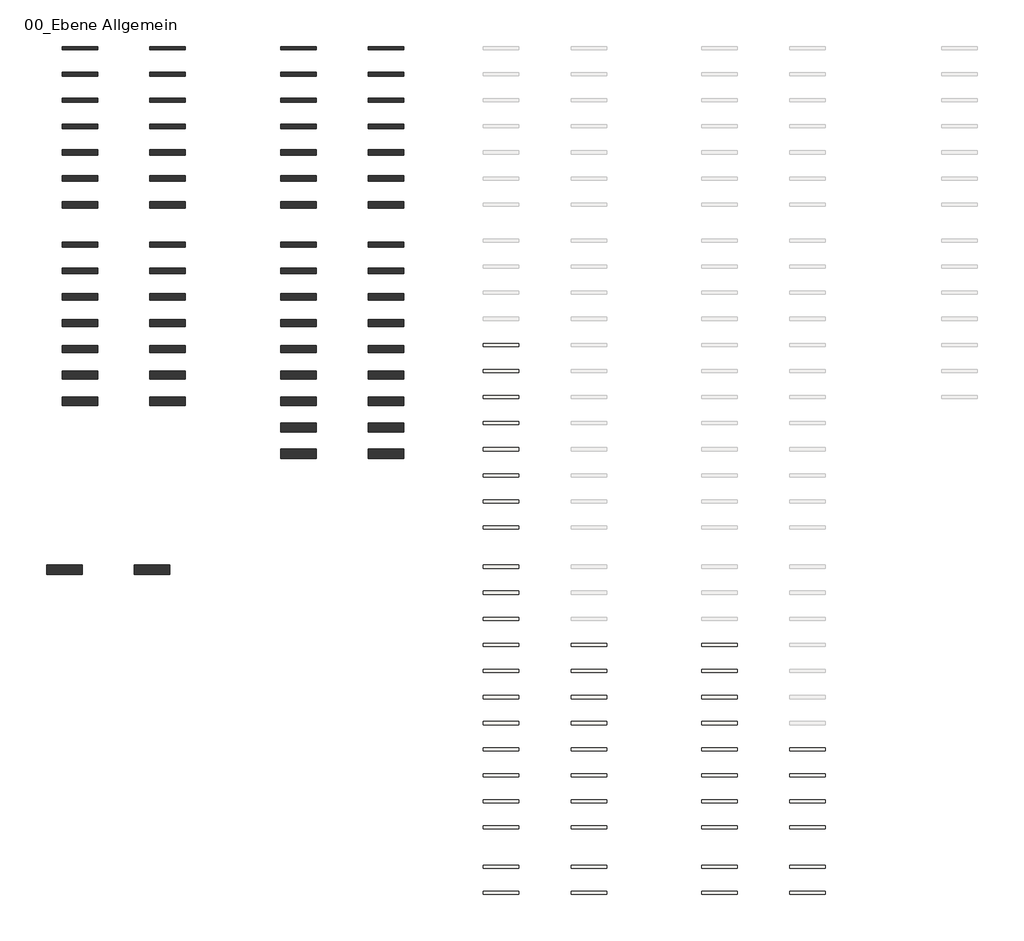
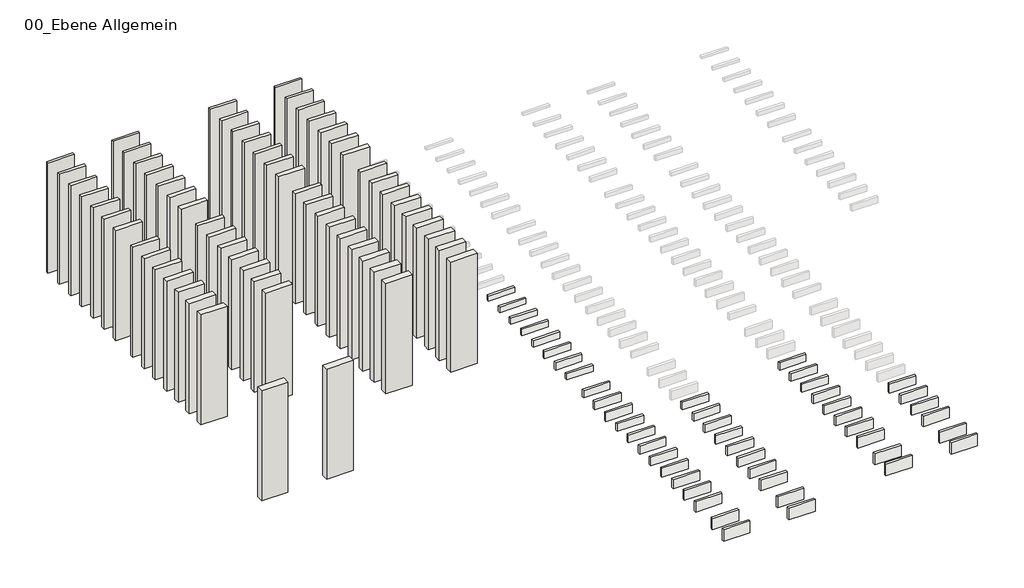
# One storey, part 1 of 2: 62 walls, 31 slabs, 16 roofs.
"""IFC4 building model written with IfcOpenShell, lengths in millimetres."""

from ifc_helpers import new_model, si_unit, frame, origin, origin_with_axes, place, context, project, spatial, polyline, outline, extrude, element, save

model = new_model("IFC4")

# Units and contexts
model_context = context("Model", 3, world=origin())
ifc_project = project(units=[si_unit("LENGTHUNIT", "METRE", prefix="MILLI")], contexts=[model_context])

# Site, building, storey
site = spatial("IfcSite", under=ifc_project)
building = spatial("IfcBuilding", under=site)
storey = spatial("IfcBuildingStorey", under=building, Name="00_Ebene Allgemein", Elevation=0.0)

# Roofs
placement = place(None, origin())
element("IfcRoof", 1, at=placement, inside=storey, context=model_context, shape_type="SweptSolid", body=[
    extrude(outline(polyline([(10896.5117268, 1806.5217326), (11576.5117268, 1806.5217326), (11576.5117268, 1746.5217326), (10896.5117268, 1746.5217326), (10896.5117268, 1806.5217326)])), origin_with_axes(), (0.0, 0.0, 1.0), 200.0),
])
element("IfcRoof", 2, at=placement, inside=storey, context=model_context, shape_type="SweptSolid", body=[
    extrude(outline(polyline([(10896.5117268, 1306.5217326), (11576.5117268, 1306.5217326), (11576.5117268, 1246.5217326), (10896.5117268, 1246.5217326), (10896.5117268, 1306.5217326)])), origin_with_axes(), (0.0, 0.0, 1.0), 210.0),
])
element("IfcRoof", 3, at=placement, inside=storey, context=model_context, shape_type="SweptSolid", body=[
    extrude(outline(polyline([(10896.5117268, 806.5217326), (11576.5117268, 806.5217326), (11576.5117268, 746.5217326), (10896.5117268, 746.5217326), (10896.5117268, 806.5217326)])), origin_with_axes(), (0.0, 0.0, 1.0), 220.0),
])
element("IfcRoof", 4, at=placement, inside=storey, context=model_context, shape_type="SweptSolid", body=[
    extrude(outline(polyline([(10896.5117268, 306.5217326), (11576.5117268, 306.5217326), (11576.5117268, 246.5217326), (10896.5117268, 246.5217326), (10896.5117268, 306.5217326)])), origin_with_axes(), (0.0, 0.0, 1.0), 230.0),
])
element("IfcRoof", 5, at=placement, inside=storey, context=model_context, shape_type="SweptSolid", body=[
    extrude(outline(polyline([(10896.5117268, -193.4782674), (11576.5117268, -193.4782674), (11576.5117268, -253.4782674), (10896.5117268, -253.4782674), (10896.5117268, -193.4782674)])), origin_with_axes(), (0.0, 0.0, 1.0), 240.0),
])
element("IfcRoof", 6, at=placement, inside=storey, context=model_context, shape_type="SweptSolid", body=[
    extrude(outline(polyline([(10896.5117268, -693.4782674), (11576.5117268, -693.4782674), (11576.5117268, -753.4782674), (10896.5117268, -753.4782674), (10896.5117268, -693.4782674)])), origin_with_axes(), (0.0, 0.0, 1.0), 250.0),
])
element("IfcRoof", 7, at=placement, inside=storey, context=model_context, shape_type="SweptSolid", body=[
    extrude(outline(polyline([(10896.5117268, -1193.4782674), (11576.5117268, -1193.4782674), (11576.5117268, -1253.4782674), (10896.5117268, -1253.4782674), (10896.5117268, -1193.4782674)])), origin_with_axes(), (0.0, 0.0, 1.0), 260.0),
])
element("IfcRoof", 8, at=placement, inside=storey, context=model_context, shape_type="SweptSolid", body=[
    extrude(outline(polyline([(10896.5117268, -1693.4782674), (11576.5117268, -1693.4782674), (11576.5117268, -1753.4782674), (10896.5117268, -1753.4782674), (10896.5117268, -1693.4782674)])), origin_with_axes(), (0.0, 0.0, 1.0), 280.0),
])
element("IfcRoof", 9, at=placement, inside=storey, context=model_context, shape_type="SweptSolid", body=[
    extrude(outline(polyline([(10896.5117268, -2443.5028443), (11576.5117268, -2443.5028443), (11576.5117268, -2503.5028443), (10896.5117268, -2503.5028443), (10896.5117268, -2443.5028443)])), origin_with_axes(), (0.0, 0.0, 1.0), 300.0),
])
element("IfcRoof", 10, at=placement, inside=storey, context=model_context, shape_type="SweptSolid", body=[
    extrude(outline(polyline([(10896.5117268, -2943.5028443), (11576.5117268, -2943.5028443), (11576.5117268, -3003.5028443), (10896.5117268, -3003.5028443), (10896.5117268, -2943.5028443)])), origin_with_axes(), (0.0, 0.0, 1.0), 320.0),
])
element("IfcRoof", 11, at=placement, inside=storey, context=model_context, shape_type="SweptSolid", body=[
    extrude(outline(polyline([(12576.5117268, -193.4782674), (13256.5117268, -193.4782674), (13256.5117268, -253.4782674), (12576.5117268, -253.4782674), (12576.5117268, -193.4782674)])), origin_with_axes(), (0.0, 0.0, 1.0), 240.0),
])
element("IfcRoof", 12, at=placement, inside=storey, context=model_context, shape_type="SweptSolid", body=[
    extrude(outline(polyline([(12576.5117268, -693.4782674), (13256.5117268, -693.4782674), (13256.5117268, -753.4782674), (12576.5117268, -753.4782674), (12576.5117268, -693.4782674)])), origin_with_axes(), (0.0, 0.0, 1.0), 250.0),
])
element("IfcRoof", 13, at=placement, inside=storey, context=model_context, shape_type="SweptSolid", body=[
    extrude(outline(polyline([(12576.5117268, -1193.4782674), (13256.5117268, -1193.4782674), (13256.5117268, -1253.4782674), (12576.5117268, -1253.4782674), (12576.5117268, -1193.4782674)])), origin_with_axes(), (0.0, 0.0, 1.0), 260.0),
])
element("IfcRoof", 14, at=placement, inside=storey, context=model_context, shape_type="SweptSolid", body=[
    extrude(outline(polyline([(12576.5117268, -1693.4782674), (13256.5117268, -1693.4782674), (13256.5117268, -1753.4782674), (12576.5117268, -1753.4782674), (12576.5117268, -1693.4782674)])), origin_with_axes(), (0.0, 0.0, 1.0), 280.0),
])
element("IfcRoof", 15, at=placement, inside=storey, context=model_context, shape_type="SweptSolid", body=[
    extrude(outline(polyline([(12576.5117268, -2443.5028443), (13256.5117268, -2443.5028443), (13256.5117268, -2503.5028443), (12576.5117268, -2503.5028443), (12576.5117268, -2443.5028443)])), origin_with_axes(), (0.0, 0.0, 1.0), 300.0),
])
element("IfcRoof", 16, at=placement, inside=storey, context=model_context, shape_type="SweptSolid", body=[
    extrude(outline(polyline([(12576.5117268, -2943.5028443), (13256.5117268, -2943.5028443), (13256.5117268, -3003.5028443), (12576.5117268, -3003.5028443), (12576.5117268, -2943.5028443)])), origin_with_axes(), (0.0, 0.0, 1.0), 320.0),
])

# Slabs
element("IfcSlab", 17, at=placement, inside=storey, context=model_context, shape_type="SweptSolid", body=[
    extrude(outline(polyline([(6710.9873688, 7556.5463096), (7390.9873688, 7556.5463096), (7390.9873688, 7496.5463096), (6710.9873688, 7496.5463096), (6710.9873688, 7556.5463096)])), frame((0.0, 0.0, -140.0), z_axis=(0.0, 0.0, 1.0), x_axis=(1.0, 0.0, 0.0)), (0.0, 0.0, 1.0), 140.0),
])
element("IfcSlab", 18, at=placement, inside=storey, context=model_context, shape_type="SweptSolid", body=[
    extrude(outline(polyline([(6710.9873688, 7056.5463096), (7390.9873688, 7056.5463096), (7390.9873688, 6996.5463096), (6710.9873688, 6996.5463096), (6710.9873688, 7056.5463096)])), frame((0.0, 0.0, -150.0), z_axis=(0.0, 0.0, 1.0), x_axis=(1.0, 0.0, 0.0)), (0.0, 0.0, 1.0), 150.0),
])
element("IfcSlab", 19, at=placement, inside=storey, context=model_context, shape_type="SweptSolid", body=[
    extrude(outline(polyline([(6710.9873688, 6556.5463096), (7390.9873688, 6556.5463096), (7390.9873688, 6496.5463096), (6710.9873688, 6496.5463096), (6710.9873688, 6556.5463096)])), frame((0.0, 0.0, -160.0), z_axis=(0.0, 0.0, 1.0), x_axis=(1.0, 0.0, 0.0)), (0.0, 0.0, 1.0), 160.0),
])
element("IfcSlab", 20, at=placement, inside=storey, context=model_context, shape_type="SweptSolid", body=[
    extrude(outline(polyline([(6710.9873688, 6056.5463096), (7390.9873688, 6056.5463096), (7390.9873688, 5996.5463096), (6710.9873688, 5996.5463096), (6710.9873688, 6056.5463096)])), frame((0.0, 0.0, -170.0), z_axis=(0.0, 0.0, 1.0), x_axis=(1.0, 0.0, 0.0)), (0.0, 0.0, 1.0), 170.0),
])
element("IfcSlab", 21, at=placement, inside=storey, context=model_context, shape_type="SweptSolid", body=[
    extrude(outline(polyline([(6710.9873688, 5556.5463096), (7390.9873688, 5556.5463096), (7390.9873688, 5496.5463096), (6710.9873688, 5496.5463096), (6710.9873688, 5556.5463096)])), frame((0.0, 0.0, -180.0), z_axis=(0.0, 0.0, 1.0), x_axis=(1.0, 0.0, 0.0)), (0.0, 0.0, 1.0), 180.0),
])
element("IfcSlab", 22, at=placement, inside=storey, context=model_context, shape_type="SweptSolid", body=[
    extrude(outline(polyline([(6710.9873688, 5056.5463096), (7390.9873688, 5056.5463096), (7390.9873688, 4996.5463096), (6710.9873688, 4996.5463096), (6710.9873688, 5056.5463096)])), frame((0.0, 0.0, -190.0), z_axis=(0.0, 0.0, 1.0), x_axis=(1.0, 0.0, 0.0)), (0.0, 0.0, 1.0), 190.0),
])
element("IfcSlab", 23, at=placement, inside=storey, context=model_context, shape_type="SweptSolid", body=[
    extrude(outline(polyline([(6710.9873688, 4556.5463096), (7390.9873688, 4556.5463096), (7390.9873688, 4496.5463096), (6710.9873688, 4496.5463096), (6710.9873688, 4556.5463096)])), frame((0.0, 0.0, -200.0), z_axis=(0.0, 0.0, 1.0), x_axis=(1.0, 0.0, 0.0)), (0.0, 0.0, 1.0), 200.0),
])
element("IfcSlab", 24, at=placement, inside=storey, context=model_context, shape_type="SweptSolid", body=[
    extrude(outline(polyline([(6710.9873688, 4056.5463096), (7390.9873688, 4056.5463096), (7390.9873688, 3996.5463096), (6710.9873688, 3996.5463096), (6710.9873688, 4056.5463096)])), frame((0.0, 0.0, -160.0), z_axis=(0.0, 0.0, 1.0), x_axis=(1.0, 0.0, 0.0)), (0.0, 0.0, 1.0), 160.0),
])
element("IfcSlab", 25, at=placement, inside=storey, context=model_context, shape_type="SweptSolid", body=[
    extrude(outline(polyline([(6710.9873688, 3306.5217326), (7390.9873688, 3306.5217326), (7390.9873688, 3246.5217326), (6710.9873688, 3246.5217326), (6710.9873688, 3306.5217326)])), frame((0.0, 0.0, -200.0), z_axis=(0.0, 0.0, 1.0), x_axis=(1.0, 0.0, 0.0)), (0.0, 0.0, 1.0), 200.0),
])
element("IfcSlab", 26, at=placement, inside=storey, context=model_context, shape_type="SweptSolid", body=[
    extrude(outline(polyline([(6710.9873688, 2806.5217326), (7390.9873688, 2806.5217326), (7390.9873688, 2746.5217326), (6710.9873688, 2746.5217326), (6710.9873688, 2806.5217326)])), frame((0.0, 0.0, -220.0), z_axis=(0.0, 0.0, 1.0), x_axis=(1.0, 0.0, 0.0)), (0.0, 0.0, 1.0), 220.0),
])
element("IfcSlab", 27, at=placement, inside=storey, context=model_context, shape_type="SweptSolid", body=[
    extrude(outline(polyline([(6710.9873688, 2306.5217326), (7390.9873688, 2306.5217326), (7390.9873688, 2246.5217326), (6710.9873688, 2246.5217326), (6710.9873688, 2306.5217326)])), frame((0.0, 0.0, -240.0), z_axis=(0.0, 0.0, 1.0), x_axis=(1.0, 0.0, 0.0)), (0.0, 0.0, 1.0), 240.0),
])
element("IfcSlab", 28, at=placement, inside=storey, context=model_context, shape_type="SweptSolid", body=[
    extrude(outline(polyline([(6710.9873688, 1806.5217326), (7390.9873688, 1806.5217326), (7390.9873688, 1746.5217326), (6710.9873688, 1746.5217326), (6710.9873688, 1806.5217326)])), frame((0.0, 0.0, -200.0), z_axis=(0.0, 0.0, 1.0), x_axis=(1.0, 0.0, 0.0)), (0.0, 0.0, 1.0), 200.0),
])
element("IfcSlab", 29, at=placement, inside=storey, context=model_context, shape_type="SweptSolid", body=[
    extrude(outline(polyline([(6710.9873688, 1306.5217326), (7390.9873688, 1306.5217326), (7390.9873688, 1246.5217326), (6710.9873688, 1246.5217326), (6710.9873688, 1306.5217326)])), frame((0.0, 0.0, -210.0), z_axis=(0.0, 0.0, 1.0), x_axis=(1.0, 0.0, 0.0)), (0.0, 0.0, 1.0), 210.0),
])
element("IfcSlab", 30, at=placement, inside=storey, context=model_context, shape_type="SweptSolid", body=[
    extrude(outline(polyline([(6710.9873688, 806.5217326), (7390.9873688, 806.5217326), (7390.9873688, 746.5217326), (6710.9873688, 746.5217326), (6710.9873688, 806.5217326)])), frame((0.0, 0.0, -220.0), z_axis=(0.0, 0.0, 1.0), x_axis=(1.0, 0.0, 0.0)), (0.0, 0.0, 1.0), 220.0),
])
element("IfcSlab", 31, at=placement, inside=storey, context=model_context, shape_type="SweptSolid", body=[
    extrude(outline(polyline([(6710.9873688, 306.5217326), (7390.9873688, 306.5217326), (7390.9873688, 246.5217326), (6710.9873688, 246.5217326), (6710.9873688, 306.5217326)])), frame((0.0, 0.0, -230.0), z_axis=(0.0, 0.0, 1.0), x_axis=(1.0, 0.0, 0.0)), (0.0, 0.0, 1.0), 230.0),
])
element("IfcSlab", 32, at=placement, inside=storey, context=model_context, shape_type="SweptSolid", body=[
    extrude(outline(polyline([(6710.9873688, -193.4782674), (7390.9873688, -193.4782674), (7390.9873688, -253.4782674), (6710.9873688, -253.4782674), (6710.9873688, -193.4782674)])), frame((0.0, 0.0, -240.0), z_axis=(0.0, 0.0, 1.0), x_axis=(1.0, 0.0, 0.0)), (0.0, 0.0, 1.0), 240.0),
])
element("IfcSlab", 33, at=placement, inside=storey, context=model_context, shape_type="SweptSolid", body=[
    extrude(outline(polyline([(6710.9873688, -693.4782674), (7390.9873688, -693.4782674), (7390.9873688, -753.4782674), (6710.9873688, -753.4782674), (6710.9873688, -693.4782674)])), frame((0.0, 0.0, -250.0), z_axis=(0.0, 0.0, 1.0), x_axis=(1.0, 0.0, 0.0)), (0.0, 0.0, 1.0), 250.0),
])
element("IfcSlab", 34, at=placement, inside=storey, context=model_context, shape_type="SweptSolid", body=[
    extrude(outline(polyline([(6710.9873688, -1193.4782674), (7390.9873688, -1193.4782674), (7390.9873688, -1253.4782674), (6710.9873688, -1253.4782674), (6710.9873688, -1193.4782674)])), frame((0.0, 0.0, -260.0), z_axis=(0.0, 0.0, 1.0), x_axis=(1.0, 0.0, 0.0)), (0.0, 0.0, 1.0), 260.0),
])
element("IfcSlab", 35, at=placement, inside=storey, context=model_context, shape_type="SweptSolid", body=[
    extrude(outline(polyline([(6710.9873688, -1693.4782674), (7390.9873688, -1693.4782674), (7390.9873688, -1753.4782674), (6710.9873688, -1753.4782674), (6710.9873688, -1693.4782674)])), frame((0.0, 0.0, -280.0), z_axis=(0.0, 0.0, 1.0), x_axis=(1.0, 0.0, 0.0)), (0.0, 0.0, 1.0), 280.0),
])
element("IfcSlab", 36, at=placement, inside=storey, context=model_context, shape_type="SweptSolid", body=[
    extrude(outline(polyline([(6710.9873688, -2443.5028443), (7390.9873688, -2443.5028443), (7390.9873688, -2503.5028443), (6710.9873688, -2503.5028443), (6710.9873688, -2443.5028443)])), frame((0.0, 0.0, -300.0), z_axis=(0.0, 0.0, 1.0), x_axis=(1.0, 0.0, 0.0)), (0.0, 0.0, 1.0), 300.0),
])
element("IfcSlab", 37, at=placement, inside=storey, context=model_context, shape_type="SweptSolid", body=[
    extrude(outline(polyline([(6710.9873688, -2943.5028443), (7390.9873688, -2943.5028443), (7390.9873688, -3003.5028443), (6710.9873688, -3003.5028443), (6710.9873688, -2943.5028443)])), frame((0.0, 0.0, -320.0), z_axis=(0.0, 0.0, 1.0), x_axis=(1.0, 0.0, 0.0)), (0.0, 0.0, 1.0), 320.0),
])
element("IfcSlab", 38, at=placement, inside=storey, context=model_context, shape_type="SweptSolid", body=[
    extrude(outline(polyline([(8390.9873688, 1806.5217326), (9070.9873688, 1806.5217326), (9070.9873688, 1746.5217326), (8390.9873688, 1746.5217326), (8390.9873688, 1806.5217326)])), frame((0.0, 0.0, -200.0), z_axis=(0.0, 0.0, 1.0), x_axis=(1.0, 0.0, 0.0)), (0.0, 0.0, 1.0), 200.0),
])
element("IfcSlab", 39, at=placement, inside=storey, context=model_context, shape_type="SweptSolid", body=[
    extrude(outline(polyline([(8390.9873688, 1306.5217326), (9070.9873688, 1306.5217326), (9070.9873688, 1246.5217326), (8390.9873688, 1246.5217326), (8390.9873688, 1306.5217326)])), frame((0.0, 0.0, -210.0), z_axis=(0.0, 0.0, 1.0), x_axis=(1.0, 0.0, 0.0)), (0.0, 0.0, 1.0), 210.0),
])
element("IfcSlab", 40, at=placement, inside=storey, context=model_context, shape_type="SweptSolid", body=[
    extrude(outline(polyline([(8390.9873688, 806.5217326), (9070.9873688, 806.5217326), (9070.9873688, 746.5217326), (8390.9873688, 746.5217326), (8390.9873688, 806.5217326)])), frame((0.0, 0.0, -220.0), z_axis=(0.0, 0.0, 1.0), x_axis=(1.0, 0.0, 0.0)), (0.0, 0.0, 1.0), 220.0),
])
element("IfcSlab", 41, at=placement, inside=storey, context=model_context, shape_type="SweptSolid", body=[
    extrude(outline(polyline([(8390.9873688, 306.5217326), (9070.9873688, 306.5217326), (9070.9873688, 246.5217326), (8390.9873688, 246.5217326), (8390.9873688, 306.5217326)])), frame((0.0, 0.0, -230.0), z_axis=(0.0, 0.0, 1.0), x_axis=(1.0, 0.0, 0.0)), (0.0, 0.0, 1.0), 230.0),
])
element("IfcSlab", 42, at=placement, inside=storey, context=model_context, shape_type="SweptSolid", body=[
    extrude(outline(polyline([(8390.9873688, -193.4782674), (9070.9873688, -193.4782674), (9070.9873688, -253.4782674), (8390.9873688, -253.4782674), (8390.9873688, -193.4782674)])), frame((0.0, 0.0, -240.0), z_axis=(0.0, 0.0, 1.0), x_axis=(1.0, 0.0, 0.0)), (0.0, 0.0, 1.0), 240.0),
])
element("IfcSlab", 43, at=placement, inside=storey, context=model_context, shape_type="SweptSolid", body=[
    extrude(outline(polyline([(8390.9873688, -693.4782674), (9070.9873688, -693.4782674), (9070.9873688, -753.4782674), (8390.9873688, -753.4782674), (8390.9873688, -693.4782674)])), frame((0.0, 0.0, -250.0), z_axis=(0.0, 0.0, 1.0), x_axis=(1.0, 0.0, 0.0)), (0.0, 0.0, 1.0), 250.0),
])
element("IfcSlab", 44, at=placement, inside=storey, context=model_context, shape_type="SweptSolid", body=[
    extrude(outline(polyline([(8390.9873688, -1193.4782674), (9070.9873688, -1193.4782674), (9070.9873688, -1253.4782674), (8390.9873688, -1253.4782674), (8390.9873688, -1193.4782674)])), frame((0.0, 0.0, -260.0), z_axis=(0.0, 0.0, 1.0), x_axis=(1.0, 0.0, 0.0)), (0.0, 0.0, 1.0), 260.0),
])
element("IfcSlab", 45, at=placement, inside=storey, context=model_context, shape_type="SweptSolid", body=[
    extrude(outline(polyline([(8390.9873688, -1693.4782674), (9070.9873688, -1693.4782674), (9070.9873688, -1753.4782674), (8390.9873688, -1753.4782674), (8390.9873688, -1693.4782674)])), frame((0.0, 0.0, -280.0), z_axis=(0.0, 0.0, 1.0), x_axis=(1.0, 0.0, 0.0)), (0.0, 0.0, 1.0), 280.0),
])
element("IfcSlab", 46, at=placement, inside=storey, context=model_context, shape_type="SweptSolid", body=[
    extrude(outline(polyline([(8390.9873688, -2443.5028443), (9070.9873688, -2443.5028443), (9070.9873688, -2503.5028443), (8390.9873688, -2503.5028443), (8390.9873688, -2443.5028443)])), frame((0.0, 0.0, -300.0), z_axis=(0.0, 0.0, 1.0), x_axis=(1.0, 0.0, 0.0)), (0.0, 0.0, 1.0), 300.0),
])
element("IfcSlab", 47, at=placement, inside=storey, context=model_context, shape_type="SweptSolid", body=[
    extrude(outline(polyline([(8390.9873688, -2943.5028443), (9070.9873688, -2943.5028443), (9070.9873688, -3003.5028443), (8390.9873688, -3003.5028443), (8390.9873688, -2943.5028443)])), frame((0.0, 0.0, -320.0), z_axis=(0.0, 0.0, 1.0), x_axis=(1.0, 0.0, 0.0)), (0.0, 0.0, 1.0), 320.0),
])

# Walls
element("IfcWall", 48, at=placement, inside=storey, context=model_context, shape_type="SweptSolid", body=[
    extrude(outline(polyline([(-680.0613473, 13186.5708866), (-1360.0613473, 13186.5708866), (-1360.0613473, 13246.5708866), (-680.0613473, 13246.5708866), (-680.0613473, 13186.5708866)])), origin_with_axes(), (0.0, 0.0, 1.0), 3000.0),
])
element("IfcWall", 49, at=placement, inside=storey, context=model_context, shape_type="SweptSolid", body=[
    extrude(outline(polyline([(-680.0613473, 12681.5708866), (-1360.0613473, 12681.5708866), (-1360.0613473, 12751.5708866), (-680.0613473, 12751.5708866), (-680.0613473, 12681.5708866)])), origin_with_axes(), (0.0, 0.0, 1.0), 3000.0),
])
element("IfcWall", 50, at=placement, inside=storey, context=model_context, shape_type="SweptSolid", body=[
    extrude(outline(polyline([(-680.0613473, 12176.5708866), (-1360.0613473, 12176.5708866), (-1360.0613473, 12256.5708866), (-680.0613473, 12256.5708866), (-680.0613473, 12176.5708866)])), origin_with_axes(), (0.0, 0.0, 1.0), 3000.0),
])
element("IfcWall", 51, at=placement, inside=storey, context=model_context, shape_type="SweptSolid", body=[
    extrude(outline(polyline([(-680.0613473, 11671.5708866), (-1360.0613473, 11671.5708866), (-1360.0613473, 11761.5708866), (-680.0613473, 11761.5708866), (-680.0613473, 11671.5708866)])), origin_with_axes(), (0.0, 0.0, 1.0), 3000.0),
])
element("IfcWall", 52, at=placement, inside=storey, context=model_context, shape_type="SweptSolid", body=[
    extrude(outline(polyline([(-680.0613473, 11166.5708866), (-1360.0613473, 11166.5708866), (-1360.0613473, 11266.5708866), (-680.0613473, 11266.5708866), (-680.0613473, 11166.5708866)])), origin_with_axes(), (0.0, 0.0, 1.0), 3000.0),
])
element("IfcWall", 53, at=placement, inside=storey, context=model_context, shape_type="SweptSolid", body=[
    extrude(outline(polyline([(-680.0613473, 10661.5708866), (-1360.0613473, 10661.5708866), (-1360.0613473, 10771.5708866), (-680.0613473, 10771.5708866), (-680.0613473, 10661.5708866)])), origin_with_axes(), (0.0, 0.0, 1.0), 3000.0),
])
element("IfcWall", 54, at=placement, inside=storey, context=model_context, shape_type="SweptSolid", body=[
    extrude(outline(polyline([(-680.0613473, 9396.5463096), (-1360.0613473, 9396.5463096), (-1360.0613473, 9496.5463096), (-680.0613473, 9496.5463096), (-680.0613473, 9396.5463096)])), origin_with_axes(), (0.0, 0.0, 1.0), 3000.0),
])
element("IfcWall", 55, at=placement, inside=storey, context=model_context, shape_type="SweptSolid", body=[
    extrude(outline(polyline([(-680.0613473, 8891.5463096), (-1360.0613473, 8891.5463096), (-1360.0613473, 9001.5463096), (-680.0613473, 9001.5463096), (-680.0613473, 8891.5463096)])), origin_with_axes(), (0.0, 0.0, 1.0), 3000.0),
])
element("IfcWall", 56, at=placement, inside=storey, context=model_context, shape_type="SweptSolid", body=[
    extrude(outline(polyline([(-680.0613473, 8386.5463096), (-1360.0613473, 8386.5463096), (-1360.0613473, 8506.5463096), (-680.0613473, 8506.5463096), (-680.0613473, 8386.5463096)])), origin_with_axes(), (0.0, 0.0, 1.0), 3000.0),
])
element("IfcWall", 57, at=placement, inside=storey, context=model_context, shape_type="SweptSolid", body=[
    extrude(outline(polyline([(-680.0613473, 7881.5463096), (-1360.0613473, 7881.5463096), (-1360.0613473, 8011.5463096), (-680.0613473, 8011.5463096), (-680.0613473, 7881.5463096)])), origin_with_axes(), (0.0, 0.0, 1.0), 3000.0),
])
element("IfcWall", 58, at=placement, inside=storey, context=model_context, shape_type="SweptSolid", body=[
    extrude(outline(polyline([(-680.0613473, 7376.5463096), (-1360.0613473, 7376.5463096), (-1360.0613473, 7516.5463096), (-680.0613473, 7516.5463096), (-680.0613473, 7376.5463096)])), origin_with_axes(), (0.0, 0.0, 1.0), 3000.0),
])
element("IfcWall", 59, at=placement, inside=storey, context=model_context, shape_type="SweptSolid", body=[
    extrude(outline(polyline([(-680.0613473, 6871.5463096), (-1360.0613473, 6871.5463096), (-1360.0613473, 7021.5463096), (-680.0613473, 7021.5463096), (-680.0613473, 6871.5463096)])), origin_with_axes(), (0.0, 0.0, 1.0), 3000.0),
])
element("IfcWall", 60, at=placement, inside=storey, context=model_context, shape_type="SweptSolid", body=[
    extrude(outline(polyline([(-680.0613473, 6366.5463096), (-1360.0613473, 6366.5463096), (-1360.0613473, 6526.5463096), (-680.0613473, 6526.5463096), (-680.0613473, 6366.5463096)])), origin_with_axes(), (0.0, 0.0, 1.0), 3000.0),
])
element("IfcWall", 61, at=placement, inside=storey, context=model_context, shape_type="SweptSolid", body=[
    extrude(outline(polyline([(-980.0613473, 3126.5217326), (-1660.0613473, 3126.5217326), (-1660.0613473, 3306.5217326), (-980.0613473, 3306.5217326), (-980.0613473, 3126.5217326)])), origin_with_axes(), (0.0, 0.0, 1.0), 3000.0),
])
element("IfcWall", 62, at=placement, inside=storey, context=model_context, shape_type="SweptSolid", body=[
    extrude(outline(polyline([(-680.0613473, 10151.5708866), (-1360.0613473, 10151.5708866), (-1360.0613473, 10271.5708866), (-680.0613473, 10271.5708866), (-680.0613473, 10151.5708866)])), origin_with_axes(), (0.0, 0.0, 1.0), 3000.0),
])
element("IfcWall", 63, at=placement, inside=storey, context=model_context, shape_type="SweptSolid", body=[
    extrude(outline(polyline([(3505.4630107, 13186.5708866), (2825.4630107, 13186.5708866), (2825.4630107, 13246.5708866), (3505.4630107, 13246.5708866), (3505.4630107, 13186.5708866)])), origin_with_axes(), (0.0, 0.0, 1.0), 3000.0),
])
element("IfcWall", 64, at=placement, inside=storey, context=model_context, shape_type="SweptSolid", body=[
    extrude(outline(polyline([(3505.4630107, 12681.5708866), (2825.4630107, 12681.5708866), (2825.4630107, 12751.5708866), (3505.4630107, 12751.5708866), (3505.4630107, 12681.5708866)])), origin_with_axes(), (0.0, 0.0, 1.0), 3000.0),
])
element("IfcWall", 65, at=placement, inside=storey, context=model_context, shape_type="SweptSolid", body=[
    extrude(outline(polyline([(3505.4630107, 12176.5708866), (2825.4630107, 12176.5708866), (2825.4630107, 12256.5708866), (3505.4630107, 12256.5708866), (3505.4630107, 12176.5708866)])), origin_with_axes(), (0.0, 0.0, 1.0), 3000.0),
])
element("IfcWall", 66, at=placement, inside=storey, context=model_context, shape_type="SweptSolid", body=[
    extrude(outline(polyline([(3505.4630107, 11671.5708866), (2825.4630107, 11671.5708866), (2825.4630107, 11761.5708866), (3505.4630107, 11761.5708866), (3505.4630107, 11671.5708866)])), origin_with_axes(), (0.0, 0.0, 1.0), 3000.0),
])
element("IfcWall", 67, at=placement, inside=storey, context=model_context, shape_type="SweptSolid", body=[
    extrude(outline(polyline([(3505.4630107, 11166.5708866), (2825.4630107, 11166.5708866), (2825.4630107, 11266.5708866), (3505.4630107, 11266.5708866), (3505.4630107, 11166.5708866)])), origin_with_axes(), (0.0, 0.0, 1.0), 3000.0),
])
element("IfcWall", 68, at=placement, inside=storey, context=model_context, shape_type="SweptSolid", body=[
    extrude(outline(polyline([(3505.4630107, 10661.5708866), (2825.4630107, 10661.5708866), (2825.4630107, 10771.5708866), (3505.4630107, 10771.5708866), (3505.4630107, 10661.5708866)])), origin_with_axes(), (0.0, 0.0, 1.0), 3000.0),
])
element("IfcWall", 69, at=placement, inside=storey, context=model_context, shape_type="SweptSolid", body=[
    extrude(outline(polyline([(3505.4630107, 9396.5463096), (2825.4630107, 9396.5463096), (2825.4630107, 9496.5463096), (3505.4630107, 9496.5463096), (3505.4630107, 9396.5463096)])), origin_with_axes(), (0.0, 0.0, 1.0), 3000.0),
])
element("IfcWall", 70, at=placement, inside=storey, context=model_context, shape_type="SweptSolid", body=[
    extrude(outline(polyline([(3505.4630107, 8891.5463096), (2825.4630107, 8891.5463096), (2825.4630107, 9001.5463096), (3505.4630107, 9001.5463096), (3505.4630107, 8891.5463096)])), origin_with_axes(), (0.0, 0.0, 1.0), 3000.0),
])
element("IfcWall", 71, at=placement, inside=storey, context=model_context, shape_type="SweptSolid", body=[
    extrude(outline(polyline([(3505.4630107, 8386.5463096), (2825.4630107, 8386.5463096), (2825.4630107, 8506.5463096), (3505.4630107, 8506.5463096), (3505.4630107, 8386.5463096)])), origin_with_axes(), (0.0, 0.0, 1.0), 3000.0),
])
element("IfcWall", 72, at=placement, inside=storey, context=model_context, shape_type="SweptSolid", body=[
    extrude(outline(polyline([(3505.4630107, 7881.5463096), (2825.4630107, 7881.5463096), (2825.4630107, 8011.5463096), (3505.4630107, 8011.5463096), (3505.4630107, 7881.5463096)])), origin_with_axes(), (0.0, 0.0, 1.0), 3000.0),
])
element("IfcWall", 73, at=placement, inside=storey, context=model_context, shape_type="SweptSolid", body=[
    extrude(outline(polyline([(3505.4630107, 7376.5463096), (2825.4630107, 7376.5463096), (2825.4630107, 7516.5463096), (3505.4630107, 7516.5463096), (3505.4630107, 7376.5463096)])), origin_with_axes(), (0.0, 0.0, 1.0), 3000.0),
])
element("IfcWall", 74, at=placement, inside=storey, context=model_context, shape_type="SweptSolid", body=[
    extrude(outline(polyline([(3505.4630107, 6871.5463096), (2825.4630107, 6871.5463096), (2825.4630107, 7021.5463096), (3505.4630107, 7021.5463096), (3505.4630107, 6871.5463096)])), origin_with_axes(), (0.0, 0.0, 1.0), 3000.0),
])
element("IfcWall", 75, at=placement, inside=storey, context=model_context, shape_type="SweptSolid", body=[
    extrude(outline(polyline([(3505.4630107, 6366.5463096), (2825.4630107, 6366.5463096), (2825.4630107, 6526.5463096), (3505.4630107, 6526.5463096), (3505.4630107, 6366.5463096)])), origin_with_axes(), (0.0, 0.0, 1.0), 3000.0),
])
element("IfcWall", 76, at=placement, inside=storey, context=model_context, shape_type="SweptSolid", body=[
    extrude(outline(polyline([(3505.4630107, 5861.5463096), (2825.4630107, 5861.5463096), (2825.4630107, 6031.5463096), (3505.4630107, 6031.5463096), (3505.4630107, 5861.5463096)])), origin_with_axes(), (0.0, 0.0, 1.0), 3000.0),
])
element("IfcWall", 77, at=placement, inside=storey, context=model_context, shape_type="SweptSolid", body=[
    extrude(outline(polyline([(3505.4630107, 10151.5708866), (2825.4630107, 10151.5708866), (2825.4630107, 10271.5708866), (3505.4630107, 10271.5708866), (3505.4630107, 10151.5708866)])), origin_with_axes(), (0.0, 0.0, 1.0), 3000.0),
])
element("IfcWall", 78, at=placement, inside=storey, context=model_context, shape_type="SweptSolid", body=[
    extrude(outline(polyline([(3505.4630107, 5346.5463096), (2825.4630107, 5346.5463096), (2825.4630107, 5526.5463096), (3505.4630107, 5526.5463096), (3505.4630107, 5346.5463096)])), origin_with_axes(), (0.0, 0.0, 1.0), 3000.0),
])
element("IfcWall", 79, at=placement, inside=storey, context=model_context, shape_type="SweptSolid", body=[
    extrude(outline(polyline([(999.9386527, 13186.5708866), (319.9386527, 13186.5708866), (319.9386527, 13246.5708866), (999.9386527, 13246.5708866), (999.9386527, 13186.5708866)])), origin_with_axes(), (0.0, 0.0, 1.0), 3000.0),
])
element("IfcWall", 80, at=placement, inside=storey, context=model_context, shape_type="SweptSolid", body=[
    extrude(outline(polyline([(999.9386527, 12681.5708866), (319.9386527, 12681.5708866), (319.9386527, 12751.5708866), (999.9386527, 12751.5708866), (999.9386527, 12681.5708866)])), origin_with_axes(), (0.0, 0.0, 1.0), 3000.0),
])
element("IfcWall", 81, at=placement, inside=storey, context=model_context, shape_type="SweptSolid", body=[
    extrude(outline(polyline([(999.9386527, 12176.5708866), (319.9386527, 12176.5708866), (319.9386527, 12256.5708866), (999.9386527, 12256.5708866), (999.9386527, 12176.5708866)])), origin_with_axes(), (0.0, 0.0, 1.0), 3000.0),
])
element("IfcWall", 82, at=placement, inside=storey, context=model_context, shape_type="SweptSolid", body=[
    extrude(outline(polyline([(999.9386527, 11671.5708866), (319.9386527, 11671.5708866), (319.9386527, 11761.5708866), (999.9386527, 11761.5708866), (999.9386527, 11671.5708866)])), origin_with_axes(), (0.0, 0.0, 1.0), 3000.0),
])
element("IfcWall", 83, at=placement, inside=storey, context=model_context, shape_type="SweptSolid", body=[
    extrude(outline(polyline([(999.9386527, 11166.5708866), (319.9386527, 11166.5708866), (319.9386527, 11266.5708866), (999.9386527, 11266.5708866), (999.9386527, 11166.5708866)])), origin_with_axes(), (0.0, 0.0, 1.0), 3000.0),
])
element("IfcWall", 84, at=placement, inside=storey, context=model_context, shape_type="SweptSolid", body=[
    extrude(outline(polyline([(999.9386527, 10661.5708866), (319.9386527, 10661.5708866), (319.9386527, 10771.5708866), (999.9386527, 10771.5708866), (999.9386527, 10661.5708866)])), origin_with_axes(), (0.0, 0.0, 1.0), 3000.0),
])
element("IfcWall", 85, at=placement, inside=storey, context=model_context, shape_type="SweptSolid", body=[
    extrude(outline(polyline([(999.9386527, 9396.5463096), (319.9386527, 9396.5463096), (319.9386527, 9496.5463096), (999.9386527, 9496.5463096), (999.9386527, 9396.5463096)])), origin_with_axes(), (0.0, 0.0, 1.0), 3000.0),
])
element("IfcWall", 86, at=placement, inside=storey, context=model_context, shape_type="SweptSolid", body=[
    extrude(outline(polyline([(999.9386527, 8891.5463096), (319.9386527, 8891.5463096), (319.9386527, 9001.5463096), (999.9386527, 9001.5463096), (999.9386527, 8891.5463096)])), origin_with_axes(), (0.0, 0.0, 1.0), 3000.0),
])
element("IfcWall", 87, at=placement, inside=storey, context=model_context, shape_type="SweptSolid", body=[
    extrude(outline(polyline([(999.9386527, 8386.5463096), (319.9386527, 8386.5463096), (319.9386527, 8506.5463096), (999.9386527, 8506.5463096), (999.9386527, 8386.5463096)])), origin_with_axes(), (0.0, 0.0, 1.0), 3000.0),
])
element("IfcWall", 88, at=placement, inside=storey, context=model_context, shape_type="SweptSolid", body=[
    extrude(outline(polyline([(999.9386527, 7881.5463096), (319.9386527, 7881.5463096), (319.9386527, 8011.5463096), (999.9386527, 8011.5463096), (999.9386527, 7881.5463096)])), origin_with_axes(), (0.0, 0.0, 1.0), 3000.0),
])
element("IfcWall", 89, at=placement, inside=storey, context=model_context, shape_type="SweptSolid", body=[
    extrude(outline(polyline([(999.9386527, 7376.5463096), (319.9386527, 7376.5463096), (319.9386527, 7516.5463096), (999.9386527, 7516.5463096), (999.9386527, 7376.5463096)])), origin_with_axes(), (0.0, 0.0, 1.0), 3000.0),
])
element("IfcWall", 90, at=placement, inside=storey, context=model_context, shape_type="SweptSolid", body=[
    extrude(outline(polyline([(999.9386527, 6871.5463096), (319.9386527, 6871.5463096), (319.9386527, 7021.5463096), (999.9386527, 7021.5463096), (999.9386527, 6871.5463096)])), origin_with_axes(), (0.0, 0.0, 1.0), 3000.0),
])
element("IfcWall", 91, at=placement, inside=storey, context=model_context, shape_type="SweptSolid", body=[
    extrude(outline(polyline([(999.9386527, 6366.5463096), (319.9386527, 6366.5463096), (319.9386527, 6526.5463096), (999.9386527, 6526.5463096), (999.9386527, 6366.5463096)])), origin_with_axes(), (0.0, 0.0, 1.0), 3000.0),
])
element("IfcWall", 92, at=placement, inside=storey, context=model_context, shape_type="SweptSolid", body=[
    extrude(outline(polyline([(699.9386527, 3126.5217326), (19.9386527, 3126.5217326), (19.9386527, 3306.5217326), (699.9386527, 3306.5217326), (699.9386527, 3126.5217326)])), origin_with_axes(), (0.0, 0.0, 1.0), 3000.0),
])
element("IfcWall", 93, at=placement, inside=storey, context=model_context, shape_type="SweptSolid", body=[
    extrude(outline(polyline([(999.9386527, 10151.5708866), (319.9386527, 10151.5708866), (319.9386527, 10271.5708866), (999.9386527, 10271.5708866), (999.9386527, 10151.5708866)])), origin_with_axes(), (0.0, 0.0, 1.0), 3000.0),
])
element("IfcWall", 94, at=placement, inside=storey, context=model_context, shape_type="SweptSolid", body=[
    extrude(outline(polyline([(5185.4630107, 13186.5708866), (4505.4630107, 13186.5708866), (4505.4630107, 13246.5708866), (5185.4630107, 13246.5708866), (5185.4630107, 13186.5708866)])), origin_with_axes(), (0.0, 0.0, 1.0), 3000.0),
])
element("IfcWall", 95, at=placement, inside=storey, context=model_context, shape_type="SweptSolid", body=[
    extrude(outline(polyline([(5185.4630107, 12681.5708866), (4505.4630107, 12681.5708866), (4505.4630107, 12751.5708866), (5185.4630107, 12751.5708866), (5185.4630107, 12681.5708866)])), origin_with_axes(), (0.0, 0.0, 1.0), 3000.0),
])
element("IfcWall", 96, at=placement, inside=storey, context=model_context, shape_type="SweptSolid", body=[
    extrude(outline(polyline([(5185.4630107, 12176.5708866), (4505.4630107, 12176.5708866), (4505.4630107, 12256.5708866), (5185.4630107, 12256.5708866), (5185.4630107, 12176.5708866)])), origin_with_axes(), (0.0, 0.0, 1.0), 3000.0),
])
element("IfcWall", 97, at=placement, inside=storey, context=model_context, shape_type="SweptSolid", body=[
    extrude(outline(polyline([(5185.4630107, 11671.5708866), (4505.4630107, 11671.5708866), (4505.4630107, 11761.5708866), (5185.4630107, 11761.5708866), (5185.4630107, 11671.5708866)])), origin_with_axes(), (0.0, 0.0, 1.0), 3000.0),
])
element("IfcWall", 98, at=placement, inside=storey, context=model_context, shape_type="SweptSolid", body=[
    extrude(outline(polyline([(5185.4630107, 11166.5708866), (4505.4630107, 11166.5708866), (4505.4630107, 11266.5708866), (5185.4630107, 11266.5708866), (5185.4630107, 11166.5708866)])), origin_with_axes(), (0.0, 0.0, 1.0), 3000.0),
])
element("IfcWall", 99, at=placement, inside=storey, context=model_context, shape_type="SweptSolid", body=[
    extrude(outline(polyline([(5185.4630107, 10661.5708866), (4505.4630107, 10661.5708866), (4505.4630107, 10771.5708866), (5185.4630107, 10771.5708866), (5185.4630107, 10661.5708866)])), origin_with_axes(), (0.0, 0.0, 1.0), 3000.0),
])
element("IfcWall", 100, at=placement, inside=storey, context=model_context, shape_type="SweptSolid", body=[
    extrude(outline(polyline([(5185.4630107, 9396.5463096), (4505.4630107, 9396.5463096), (4505.4630107, 9496.5463096), (5185.4630107, 9496.5463096), (5185.4630107, 9396.5463096)])), origin_with_axes(), (0.0, 0.0, 1.0), 3000.0),
])
element("IfcWall", 101, at=placement, inside=storey, context=model_context, shape_type="SweptSolid", body=[
    extrude(outline(polyline([(5185.4630107, 8891.5463096), (4505.4630107, 8891.5463096), (4505.4630107, 9001.5463096), (5185.4630107, 9001.5463096), (5185.4630107, 8891.5463096)])), origin_with_axes(), (0.0, 0.0, 1.0), 3000.0),
])
element("IfcWall", 102, at=placement, inside=storey, context=model_context, shape_type="SweptSolid", body=[
    extrude(outline(polyline([(5185.4630107, 8386.5463096), (4505.4630107, 8386.5463096), (4505.4630107, 8506.5463096), (5185.4630107, 8506.5463096), (5185.4630107, 8386.5463096)])), origin_with_axes(), (0.0, 0.0, 1.0), 3000.0),
])
element("IfcWall", 103, at=placement, inside=storey, context=model_context, shape_type="SweptSolid", body=[
    extrude(outline(polyline([(5185.4630107, 7881.5463096), (4505.4630107, 7881.5463096), (4505.4630107, 8011.5463096), (5185.4630107, 8011.5463096), (5185.4630107, 7881.5463096)])), origin_with_axes(), (0.0, 0.0, 1.0), 3000.0),
])
element("IfcWall", 104, at=placement, inside=storey, context=model_context, shape_type="SweptSolid", body=[
    extrude(outline(polyline([(5185.4630107, 7376.5463096), (4505.4630107, 7376.5463096), (4505.4630107, 7516.5463096), (5185.4630107, 7516.5463096), (5185.4630107, 7376.5463096)])), origin_with_axes(), (0.0, 0.0, 1.0), 3000.0),
])
element("IfcWall", 105, at=placement, inside=storey, context=model_context, shape_type="SweptSolid", body=[
    extrude(outline(polyline([(5185.4630107, 6871.5463096), (4505.4630107, 6871.5463096), (4505.4630107, 7021.5463096), (5185.4630107, 7021.5463096), (5185.4630107, 6871.5463096)])), origin_with_axes(), (0.0, 0.0, 1.0), 3000.0),
])
element("IfcWall", 106, at=placement, inside=storey, context=model_context, shape_type="SweptSolid", body=[
    extrude(outline(polyline([(5185.4630107, 6366.5463096), (4505.4630107, 6366.5463096), (4505.4630107, 6526.5463096), (5185.4630107, 6526.5463096), (5185.4630107, 6366.5463096)])), origin_with_axes(), (0.0, 0.0, 1.0), 3000.0),
])
element("IfcWall", 107, at=placement, inside=storey, context=model_context, shape_type="SweptSolid", body=[
    extrude(outline(polyline([(5185.4630107, 5861.5463096), (4505.4630107, 5861.5463096), (4505.4630107, 6031.5463096), (5185.4630107, 6031.5463096), (5185.4630107, 5861.5463096)])), origin_with_axes(), (0.0, 0.0, 1.0), 3000.0),
])
element("IfcWall", 108, at=placement, inside=storey, context=model_context, shape_type="SweptSolid", body=[
    extrude(outline(polyline([(5185.4630107, 10151.5708866), (4505.4630107, 10151.5708866), (4505.4630107, 10271.5708866), (5185.4630107, 10271.5708866), (5185.4630107, 10151.5708866)])), origin_with_axes(), (0.0, 0.0, 1.0), 3000.0),
])
element("IfcWall", 109, at=placement, inside=storey, context=model_context, shape_type="SweptSolid", body=[
    extrude(outline(polyline([(5185.4630107, 5346.5463096), (4505.4630107, 5346.5463096), (4505.4630107, 5526.5463096), (5185.4630107, 5526.5463096), (5185.4630107, 5346.5463096)])), origin_with_axes(), (0.0, 0.0, 1.0), 3000.0),
])

save(model, "model.ifc")
